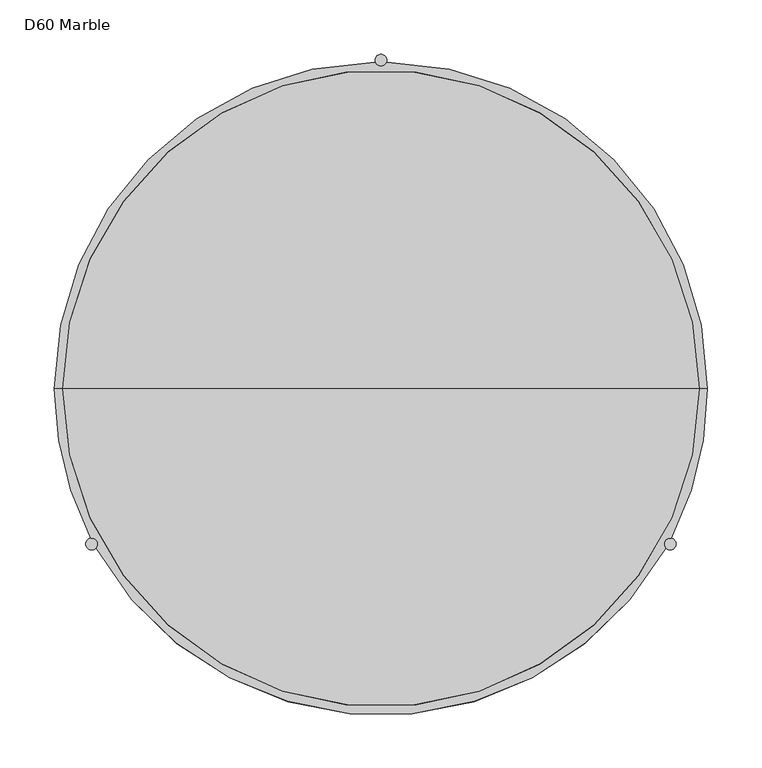
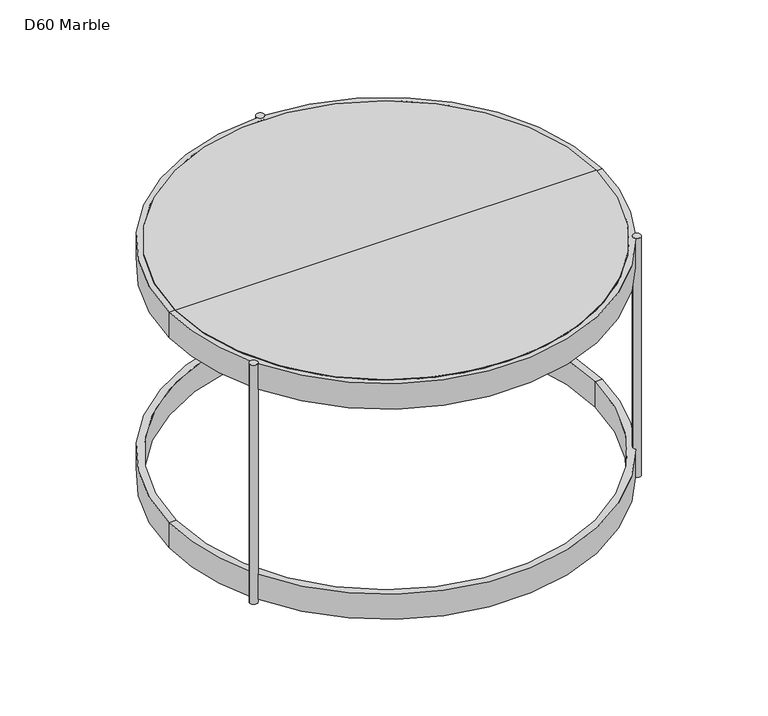
"""IFC4 building model written with IfcOpenShell, lengths in millimetres: furniture geometry, D60 Marble."""

from ifc_helpers import new_model, si_unit, frame, origin, place, context, project, spatial, polyline, circle_curve, source, transform, mapped, element, save
from ifc_brep_helpers import plane_surface, cylinder_surface, revolved_surface, advanced_brep


def d60_marble_bbe01573(model_context):
    return source(origin(), model_context, "Body", "AdvancedBrep", [
        advanced_brep(
        [(-68.8883961, 345.7919098, 350.3478421), (-653.3794204, 345.7919098, 350.3478421), (-653.3794204, 345.7919098, 333.2028421), (-68.8883961, 345.7919098, 333.2028421), (-361.1339083, 345.7919098, 350.3478421), (-361.1339083, 345.7919098, 333.2028421)],
        [
            (0, 1, circle_curve(frame((-361.1339083, 345.7919098, 350.3478421), z_axis=(0.0, 0.0, -1.0), x_axis=(-1.0, 0.0, 0.0)), 292.2455122)),
            (1, 2),
            (2, 3, circle_curve(frame((-361.1339083, 345.7919098, 333.2028421), z_axis=(0.0, 0.0, 1.0), x_axis=(-1.0, 0.0, 0.0)), 292.2455122)),
            (3, 0),
            (1, 0, circle_curve(frame((-361.1339083, 345.7919098, 350.3478421), z_axis=(0.0, 0.0, -1.0), x_axis=(-1.0, 0.0, 0.0)), 292.2455122)),
            (3, 2, circle_curve(frame((-361.1339083, 345.7919098, 333.2028421), z_axis=(0.0, 0.0, 1.0), x_axis=(-1.0, 0.0, 0.0)), 292.2455122)),
            (4, 1),
            (0, 4),
            (2, 5),
            (5, 3),
        ],
        [
            cylinder_surface(frame((-361.1339083, 345.7919098, 464.676447), z_axis=(0.0, 0.0, 1.0), x_axis=(-1.0, 0.0, 0.0)), 292.2455122),
            plane_surface(frame((-361.1339083, 345.7919098, 350.3478421), z_axis=(0.0, 0.0, 1.0), x_axis=(-1.0, 0.0, 0.0))),
            plane_surface(frame((-361.1339083, 345.7919098, 333.2028421), z_axis=(0.0, 0.0, -1.0), x_axis=(-1.0, 0.0, 0.0))),
        ],
        [
            (0, [[1, 2, 3, 4]]),
            (0, [[5, -4, 6, -2]]),
            (1, [[7, -1, 8]]),
            (1, [[-8, -5, -7]]),
            (2, [[-3, 9, 10]]),
            (2, [[-6, -10, -9]]),
        ],
    ),
        advanced_brep(
        [(-661.1339083, 345.7919098, 350.0), (-661.1339083, 345.7919098, 312.7292735), (-627.7645006, 208.2850837, 312.7292735), (-627.7645006, 208.2850837, 350.0), (-61.1339083, 345.7919098, 312.7292735), (-61.1339083, 345.7919098, 350.0), (-94.5033159, 208.2850837, 350.0), (-94.5033159, 208.2850837, 312.7292735), (-622.8945377, 199.2266585, 312.7292735), (-99.3732789, 199.2266585, 312.7292735), (-99.3732789, 199.2266585, 350.0), (-622.8945377, 199.2266585, 350.0), (-366.3127014, 645.7472067, 350.0), (-366.3127014, 645.7472067, 312.7292735), (-355.9551151, 645.7472067, 312.7292735), (-355.9551151, 645.7472067, 350.0), (-68.4536389, 345.7919098, 350.0), (-653.8141776, 345.7919098, 350.0), (-621.4218114, 202.9417098, 350.0), (-100.8460052, 202.9417098, 350.0), (-68.4536389, 345.7919098, 333.2028421), (-653.8141776, 345.7919098, 333.2028421), (-70.6464193, 345.7919098, 333.2028421), (-651.6213972, 345.7919098, 333.2028421), (-70.6464193, 345.7919098, 328.0260869), (-651.6213972, 345.7919098, 328.0260869), (-68.4536389, 345.7919098, 328.0260869), (-653.8141776, 345.7919098, 328.0260869), (-68.4536389, 345.7919098, 312.7292735), (-653.8141776, 345.7919098, 312.7292735), (-100.8460052, 202.9417098, 312.7292735), (-621.4218114, 202.9417098, 312.7292735), (-70.9198932, 345.7919098, 4.2318428), (-651.3479233, 345.7919098, 4.2318428), (-651.3479233, 345.7919098, 41.1453051), (-70.9198932, 345.7919098, 41.1453051), (-61.1339083, 345.7919098, 4.2318428), (-94.5033159, 208.2850837, 4.2318428), (-100.8460052, 202.9417098, 4.2318428), (-99.3732789, 199.2266585, 4.2318428), (-622.8945377, 199.2266585, 4.2318428), (-621.4218114, 202.9417098, 4.2318428), (-627.7645006, 208.2850837, 4.2318428), (-661.1339083, 345.7919098, 4.2318428), (-366.3127014, 645.7472067, 4.2318428), (-355.9551151, 645.7472067, 4.2318428), (-99.3732789, 199.2266585, 41.1453051), (-622.8945377, 199.2266585, 41.1453051), (-661.1339083, 345.7919098, 41.1453051), (-627.7645006, 208.2850837, 41.1453051), (-61.1339083, 345.7919098, 41.1453051), (-94.5033159, 208.2850837, 41.1453051), (-366.3127014, 645.7472067, 41.1453051), (-355.9551151, 645.7472067, 41.1453051), (-621.4218114, 202.9417098, 41.1453051), (-100.8460052, 202.9417098, 41.1453051), (-366.5560052, 647.3532067, 350.376447), (-355.7118114, 647.3532067, 350.376447), (-632.2660052, 202.9417098, 350.376447), (-621.4218114, 202.9417098, 350.376447), (-100.8460052, 202.9417098, 350.376447), (-90.0018114, 202.9417098, 350.376447), (-366.5560052, 647.3532067, 0.0), (-355.7118114, 647.3532067, 0.0), (-632.2660052, 202.9417098, 0.0), (-621.4218114, 202.9417098, 0.0), (-100.8460052, 202.9417098, 0.0), (-90.0018114, 202.9417098, 0.0)],
        [
            (0, 1),
            (1, 2, circle_curve(frame((-361.1339083, 345.7919098, 312.7292735), z_axis=(0.0, 0.0, 1.0), x_axis=(-1.0, 0.0, 0.0)), 300.0)),
            (2, 3),
            (3, 0, circle_curve(frame((-361.1339083, 345.7919098, 350.0), z_axis=(0.0, 0.0, -1.0), x_axis=(-1.0, 0.0, 0.0)), 300.0)),
            (4, 5),
            (5, 6, circle_curve(frame((-361.1339083, 345.7919098, 350.0), z_axis=(0.0, 0.0, -1.0), x_axis=(-1.0, 0.0, 0.0)), 300.0)),
            (6, 7),
            (7, 4, circle_curve(frame((-361.1339083, 345.7919098, 312.7292735), z_axis=(0.0, 0.0, 1.0), x_axis=(-1.0, 0.0, 0.0)), 300.0)),
            (8, 9, circle_curve(frame((-361.1339083, 345.7919098, 312.7292735), z_axis=(0.0, 0.0, 1.0), x_axis=(-1.0, 0.0, 0.0)), 300.0)),
            (9, 10),
            (10, 11, circle_curve(frame((-361.1339083, 345.7919098, 350.0), z_axis=(0.0, 0.0, -1.0), x_axis=(-1.0, 0.0, 0.0)), 300.0)),
            (11, 8),
            (0, 12, circle_curve(frame((-361.1339083, 345.7919098, 350.0), z_axis=(0.0, 0.0, -1.0), x_axis=(-1.0, 0.0, 0.0)), 300.0)),
            (12, 13),
            (13, 1, circle_curve(frame((-361.1339083, 345.7919098, 312.7292735), z_axis=(0.0, 0.0, 1.0), x_axis=(-1.0, 0.0, 0.0)), 300.0)),
            (4, 14, circle_curve(frame((-361.1339083, 345.7919098, 312.7292735), z_axis=(0.0, 0.0, 1.0), x_axis=(-1.0, 0.0, 0.0)), 300.0)),
            (14, 15),
            (15, 5, circle_curve(frame((-361.1339083, 345.7919098, 350.0), z_axis=(0.0, 0.0, -1.0), x_axis=(-1.0, 0.0, 0.0)), 300.0)),
            (16, 17, circle_curve(frame((-361.1339083, 345.7919098, 350.0), z_axis=(0.0, 0.0, -1.0), x_axis=(-1.0, 0.0, 0.0)), 292.6802694)),
            (17, 0),
            (3, 18, circle_curve(frame((-626.8439083, 202.9417098, 350.0), z_axis=(0.0, 0.0, -1.0), x_axis=(1.0, 0.0, 0.0)), 5.4220969)),
            (18, 11, circle_curve(frame((-626.8439083, 202.9417098, 350.0), z_axis=(0.0, 0.0, -1.0), x_axis=(1.0, 0.0, 0.0)), 5.4220969)),
            (10, 19, circle_curve(frame((-95.4239083, 202.9417098, 350.0), z_axis=(0.0, 0.0, -1.0), x_axis=(1.0, 0.0, 0.0)), 5.4220969)),
            (19, 6, circle_curve(frame((-95.4239083, 202.9417098, 350.0), z_axis=(0.0, 0.0, -1.0), x_axis=(1.0, 0.0, 0.0)), 5.4220969)),
            (5, 16),
            (17, 16, circle_curve(frame((-361.1339083, 345.7919098, 350.0), z_axis=(0.0, 0.0, -1.0), x_axis=(-1.0, 0.0, 0.0)), 292.6802694)),
            (15, 12, circle_curve(frame((-361.1339083, 647.3532067, 350.0), z_axis=(0.0, 0.0, -1.0), x_axis=(1.0, 0.0, 0.0)), 5.4220969)),
            (16, 20),
            (20, 21, circle_curve(frame((-361.1339083, 345.7919098, 333.2028421), z_axis=(0.0, 0.0, -1.0), x_axis=(-1.0, 0.0, 0.0)), 292.6802694)),
            (21, 17),
            (21, 20, circle_curve(frame((-361.1339083, 345.7919098, 333.2028421), z_axis=(0.0, 0.0, -1.0), x_axis=(-1.0, 0.0, 0.0)), 292.6802694)),
            (20, 22),
            (22, 23, circle_curve(frame((-361.1339083, 345.7919098, 333.2028421), z_axis=(0.0, 0.0, -1.0), x_axis=(-1.0, 0.0, 0.0)), 290.487489)),
            (23, 21),
            (23, 22, circle_curve(frame((-361.1339083, 345.7919098, 333.2028421), z_axis=(0.0, 0.0, -1.0), x_axis=(-1.0, 0.0, 0.0)), 290.487489)),
            (22, 24),
            (24, 25, circle_curve(frame((-361.1339083, 345.7919098, 328.0260869), z_axis=(0.0, 0.0, -1.0), x_axis=(-1.0, 0.0, 0.0)), 290.487489)),
            (25, 23),
            (25, 24, circle_curve(frame((-361.1339083, 345.7919098, 328.0260869), z_axis=(0.0, 0.0, -1.0), x_axis=(-1.0, 0.0, 0.0)), 290.487489)),
            (24, 26),
            (26, 27, circle_curve(frame((-361.1339083, 345.7919098, 328.0260869), z_axis=(0.0, 0.0, -1.0), x_axis=(-1.0, 0.0, 0.0)), 292.6802694)),
            (27, 25),
            (27, 26, circle_curve(frame((-361.1339083, 345.7919098, 328.0260869), z_axis=(0.0, 0.0, -1.0), x_axis=(-1.0, 0.0, 0.0)), 292.6802694)),
            (26, 28),
            (28, 29, circle_curve(frame((-361.1339083, 345.7919098, 312.7292735), z_axis=(0.0, 0.0, -1.0), x_axis=(-1.0, 0.0, 0.0)), 292.6802694)),
            (29, 27),
            (29, 28, circle_curve(frame((-361.1339083, 345.7919098, 312.7292735), z_axis=(0.0, 0.0, -1.0), x_axis=(-1.0, 0.0, 0.0)), 292.6802694)),
            (28, 4),
            (7, 30, circle_curve(frame((-95.4239083, 202.9417098, 312.7292735), z_axis=(0.0, 0.0, 1.0), x_axis=(1.0, 0.0, 0.0)), 5.4220969)),
            (30, 9, circle_curve(frame((-95.4239083, 202.9417098, 312.7292735), z_axis=(0.0, 0.0, 1.0), x_axis=(1.0, 0.0, 0.0)), 5.4220969)),
            (8, 31, circle_curve(frame((-626.8439083, 202.9417098, 312.7292735), z_axis=(0.0, 0.0, 1.0), x_axis=(1.0, 0.0, 0.0)), 5.4220969)),
            (31, 2, circle_curve(frame((-626.8439083, 202.9417098, 312.7292735), z_axis=(0.0, 0.0, 1.0), x_axis=(1.0, 0.0, 0.0)), 5.4220969)),
            (1, 29),
            (13, 14, circle_curve(frame((-361.1339083, 647.3532067, 312.7292735), z_axis=(0.0, 0.0, 1.0), x_axis=(1.0, 0.0, 0.0)), 5.4220969)),
            (32, 33, circle_curve(frame((-361.1339083, 345.7919098, 4.2318428), z_axis=(0.0, 0.0, -1.0), x_axis=(-1.0, 0.0, 0.0)), 290.2140151)),
            (33, 34),
            (34, 35, circle_curve(frame((-361.1339083, 345.7919098, 41.1453051), z_axis=(0.0, 0.0, 1.0), x_axis=(-1.0, 0.0, 0.0)), 290.2140151)),
            (35, 32),
            (33, 32, circle_curve(frame((-361.1339083, 345.7919098, 4.2318428), z_axis=(0.0, 0.0, -1.0), x_axis=(-1.0, 0.0, 0.0)), 290.2140151)),
            (35, 34, circle_curve(frame((-361.1339083, 345.7919098, 41.1453051), z_axis=(0.0, 0.0, 1.0), x_axis=(-1.0, 0.0, 0.0)), 290.2140151)),
            (32, 36),
            (36, 37, circle_curve(frame((-361.1339083, 345.7919098, 4.2318428), z_axis=(0.0, 0.0, -1.0), x_axis=(-1.0, 0.0, 0.0)), 300.0)),
            (37, 38, circle_curve(frame((-95.4239083, 202.9417098, 4.2318428), z_axis=(0.0, 0.0, 1.0), x_axis=(1.0, 0.0, 0.0)), 5.4220969)),
            (38, 39, circle_curve(frame((-95.4239083, 202.9417098, 4.2318428), z_axis=(0.0, 0.0, 1.0), x_axis=(1.0, 0.0, 0.0)), 5.4220969)),
            (39, 40, circle_curve(frame((-361.1339083, 345.7919098, 4.2318428), z_axis=(0.0, 0.0, -1.0), x_axis=(-1.0, 0.0, 0.0)), 300.0)),
            (40, 41, circle_curve(frame((-626.8439083, 202.9417098, 4.2318428), z_axis=(0.0, 0.0, 1.0), x_axis=(1.0, 0.0, 0.0)), 5.4220969)),
            (41, 42, circle_curve(frame((-626.8439083, 202.9417098, 4.2318428), z_axis=(0.0, 0.0, 1.0), x_axis=(1.0, 0.0, 0.0)), 5.4220969)),
            (42, 43, circle_curve(frame((-361.1339083, 345.7919098, 4.2318428), z_axis=(0.0, 0.0, -1.0), x_axis=(-1.0, 0.0, 0.0)), 300.0)),
            (43, 33),
            (43, 44, circle_curve(frame((-361.1339083, 345.7919098, 4.2318428), z_axis=(0.0, 0.0, -1.0), x_axis=(-1.0, 0.0, 0.0)), 300.0)),
            (44, 45, circle_curve(frame((-361.1339083, 647.3532067, 4.2318428), z_axis=(0.0, 0.0, 1.0), x_axis=(1.0, 0.0, 0.0)), 5.4220969)),
            (45, 36, circle_curve(frame((-361.1339083, 345.7919098, 4.2318428), z_axis=(0.0, 0.0, -1.0), x_axis=(-1.0, 0.0, 0.0)), 300.0)),
            (39, 46),
            (46, 47, circle_curve(frame((-361.1339083, 345.7919098, 41.1453051), z_axis=(0.0, 0.0, -1.0), x_axis=(-1.0, 0.0, 0.0)), 300.0)),
            (47, 40),
            (48, 43),
            (42, 49),
            (49, 48, circle_curve(frame((-361.1339083, 345.7919098, 41.1453051), z_axis=(0.0, 0.0, -1.0), x_axis=(-1.0, 0.0, 0.0)), 300.0)),
            (36, 50),
            (50, 51, circle_curve(frame((-361.1339083, 345.7919098, 41.1453051), z_axis=(0.0, 0.0, -1.0), x_axis=(-1.0, 0.0, 0.0)), 300.0)),
            (51, 37),
            (48, 52, circle_curve(frame((-361.1339083, 345.7919098, 41.1453051), z_axis=(0.0, 0.0, -1.0), x_axis=(-1.0, 0.0, 0.0)), 300.0)),
            (52, 44),
            (45, 53),
            (53, 50, circle_curve(frame((-361.1339083, 345.7919098, 41.1453051), z_axis=(0.0, 0.0, -1.0), x_axis=(-1.0, 0.0, 0.0)), 300.0)),
            (34, 48),
            (49, 54, circle_curve(frame((-626.8439083, 202.9417098, 41.1453051), z_axis=(0.0, 0.0, -1.0), x_axis=(1.0, 0.0, 0.0)), 5.4220969)),
            (54, 47, circle_curve(frame((-626.8439083, 202.9417098, 41.1453051), z_axis=(0.0, 0.0, -1.0), x_axis=(1.0, 0.0, 0.0)), 5.4220969)),
            (46, 55, circle_curve(frame((-95.4239083, 202.9417098, 41.1453051), z_axis=(0.0, 0.0, -1.0), x_axis=(1.0, 0.0, 0.0)), 5.4220969)),
            (55, 51, circle_curve(frame((-95.4239083, 202.9417098, 41.1453051), z_axis=(0.0, 0.0, -1.0), x_axis=(1.0, 0.0, 0.0)), 5.4220969)),
            (50, 35),
            (53, 52, circle_curve(frame((-361.1339083, 647.3532067, 41.1453051), z_axis=(0.0, 0.0, -1.0), x_axis=(1.0, 0.0, 0.0)), 5.4220969)),
            (56, 57, circle_curve(frame((-361.1339083, 647.3532067, 350.376447), z_axis=(0.0, 0.0, 1.0), x_axis=(1.0, 0.0, 0.0)), 5.4220969)),
            (57, 56, circle_curve(frame((-361.1339083, 647.3532067, 350.376447), z_axis=(0.0, 0.0, 1.0), x_axis=(1.0, 0.0, 0.0)), 5.4220969)),
            (58, 59, circle_curve(frame((-626.8439083, 202.9417098, 350.376447), z_axis=(0.0, 0.0, 1.0), x_axis=(1.0, 0.0, 0.0)), 5.4220969)),
            (59, 58, circle_curve(frame((-626.8439083, 202.9417098, 350.376447), z_axis=(0.0, 0.0, 1.0), x_axis=(1.0, 0.0, 0.0)), 5.4220969)),
            (60, 61, circle_curve(frame((-95.4239083, 202.9417098, 350.376447), z_axis=(0.0, 0.0, 1.0), x_axis=(1.0, 0.0, 0.0)), 5.4220969)),
            (61, 60, circle_curve(frame((-95.4239083, 202.9417098, 350.376447), z_axis=(0.0, 0.0, 1.0), x_axis=(1.0, 0.0, 0.0)), 5.4220969)),
            (62, 63, circle_curve(frame((-361.1339083, 647.3532067, 0.0), z_axis=(0.0, 0.0, -1.0), x_axis=(1.0, 0.0, 0.0)), 5.4220969)),
            (63, 62, circle_curve(frame((-361.1339083, 647.3532067, 0.0), z_axis=(0.0, 0.0, -1.0), x_axis=(1.0, 0.0, 0.0)), 5.4220969)),
            (64, 65, circle_curve(frame((-626.8439083, 202.9417098, 0.0), z_axis=(0.0, 0.0, -1.0), x_axis=(1.0, 0.0, 0.0)), 5.4220969)),
            (65, 64, circle_curve(frame((-626.8439083, 202.9417098, 0.0), z_axis=(0.0, 0.0, -1.0), x_axis=(1.0, 0.0, 0.0)), 5.4220969)),
            (66, 67, circle_curve(frame((-95.4239083, 202.9417098, 0.0), z_axis=(0.0, 0.0, -1.0), x_axis=(1.0, 0.0, 0.0)), 5.4220969)),
            (67, 66, circle_curve(frame((-95.4239083, 202.9417098, 0.0), z_axis=(0.0, 0.0, -1.0), x_axis=(1.0, 0.0, 0.0)), 5.4220969)),
            (56, 62),
            (63, 57),
            (58, 64),
            (65, 41),
            (54, 31),
            (18, 59),
            (60, 19),
            (30, 55),
            (38, 66),
            (67, 61),
        ],
        [
            cylinder_surface(frame((-361.1339083, 345.7919098, 591.3), z_axis=(0.0, 0.0, 1.0), x_axis=(-1.0, 0.0, 0.0)), 300.0),
            plane_surface(frame((-361.1339083, 345.7919098, 350.0), z_axis=(0.0, 0.0, 1.0), x_axis=(-1.0, 0.0, 0.0))),
            revolved_surface(polyline([(-653.8141777, 345.7919098, 350.0), (-653.8141777, 345.7919098, 333.2028421)]), (-361.1339083, 345.7919098, 591.3), (0.0, 0.0, 1.0)),
            plane_surface(frame((-361.1339083, 345.7919098, 333.2028421), z_axis=(0.0, 0.0, 1.0), x_axis=(-1.0, 0.0, 0.0))),
            revolved_surface(polyline([(-651.6213972999999, 345.7919098, 333.2028421), (-651.6213972999999, 345.7919098, 328.0260869)]), (-361.1339083, 345.7919098, 591.3), (0.0, 0.0, 1.0)),
            plane_surface(frame((-361.1339083, 345.7919098, 328.0260869), z_axis=(0.0, 0.0, -1.0), x_axis=(-1.0, 0.0, 0.0))),
            revolved_surface(polyline([(-653.8141777, 345.7919098, 328.0260869), (-653.8141777, 345.7919098, 312.7292735)]), (-361.1339083, 345.7919098, 591.3), (0.0, 0.0, 1.0)),
            plane_surface(frame((-361.1339083, 345.7919098, 312.7292735), z_axis=(0.0, 0.0, -1.0), x_axis=(-1.0, 0.0, 0.0))),
            revolved_surface(polyline([(-651.3479233999999, 345.7919098, 41.14530509999997), (-651.3479233999999, 345.7919098, 4.231842799999981)]), (-361.1339083, 345.7919098, 591.3), (0.0, 0.0, 1.0)),
            plane_surface(frame((-361.1339083, 345.7919098, 4.2318428), z_axis=(0.0, 0.0, -1.0), x_axis=(-1.0, 0.0, 0.0))),
            plane_surface(frame((-361.1339083, 345.7919098, 41.1453051), z_axis=(0.0, 0.0, 1.0), x_axis=(-1.0, 0.0, 0.0))),
            plane_surface(frame((-355.7118114, 647.3532067, 350.376447), z_axis=(0.0, 0.0, 1.0), x_axis=(0.0, 1.0, 0.0))),
            plane_surface(frame((-355.7118114, 647.3532067, 0.0), z_axis=(0.0, 0.0, -1.0), x_axis=(0.0, -1.0, 0.0))),
            cylinder_surface(frame((-361.1339083, 647.3532067, 0.0), z_axis=(0.0, 0.0, 1.0), x_axis=(1.0, 0.0, 0.0)), 5.4220969),
            cylinder_surface(frame((-626.8439083, 202.9417098, 0.0), z_axis=(0.0, 0.0, 1.0), x_axis=(1.0, 0.0, 0.0)), 5.4220969),
            cylinder_surface(frame((-95.4239083, 202.9417098, 0.0), z_axis=(0.0, 0.0, 1.0), x_axis=(1.0, 0.0, 0.0)), 5.4220969),
        ],
        [
            (0, [[1, 2, 3, 4]]),
            (0, [[5, 6, 7, 8]]),
            (0, [[9, 10, 11, 12]]),
            (0, [[-1, 13, 14, 15]]),
            (0, [[-5, 16, 17, 18]]),
            (1, [[19, 20, -4, 21, 22, -11, 23, 24, -6, 25]]),
            (1, [[-20, 26, -25, -18, 27, -13]]),
            (2, [[-19, 28, 29, 30]]),
            (2, [[-26, -30, 31, -28]]),
            (3, [[-29, 32, 33, 34]]),
            (3, [[-31, -34, 35, -32]]),
            (4, [[-33, 36, 37, 38]]),
            (4, [[-35, -38, 39, -36]]),
            (5, [[-37, 40, 41, 42]]),
            (5, [[-39, -42, 43, -40]]),
            (6, [[-41, 44, 45, 46]]),
            (6, [[-43, -46, 47, -44]]),
            (7, [[-45, 48, -8, 49, 50, -9, 51, 52, -2, 53]]),
            (7, [[-47, -53, -15, 54, -16, -48]]),
            (8, [[55, 56, 57, 58]]),
            (8, [[-56, 59, -58, 60]]),
            (9, [[-55, 61, 62, 63, 64, 65, 66, 67, 68, 69]]),
            (9, [[-59, -69, 70, 71, 72, -61]]),
            (0, [[-65, 73, 74, 75]]),
            (0, [[76, -68, 77, 78]]),
            (0, [[79, 80, 81, -62]]),
            (0, [[-76, 82, 83, -70]]),
            (0, [[-79, -72, 84, 85]]),
            (10, [[-57, 86, -78, 87, 88, -74, 89, 90, -80, 91]]),
            (10, [[-60, -91, -85, 92, -82, -86]]),
            (11, [[93, 94]]),
            (11, [[95, 96]]),
            (11, [[97, 98]]),
            (12, [[99, 100]]),
            (12, [[101, 102]]),
            (12, [[103, 104]]),
            (13, [[-93, 105, -100, 106], [-14, -27, -17, -54], [-71, -83, -92, -84]]),
            (13, [[-94, -106, -99, -105]]),
            (14, [[-95, 107, -102, 108, -66, -75, -88, 109, -51, -12, -22, 110]]),
            (14, [[-96, -110, -21, -3, -52, -109, -87, -77, -67, -108, -101, -107]]),
            (15, [[-97, 111, -23, -10, -50, 112, -89, -73, -64, 113, -104, 114]]),
            (15, [[-98, -114, -103, -113, -63, -81, -90, -112, -49, -7, -24, -111]]),
        ],
    ),
    ])


if __name__ == "__main__":
    model = new_model("IFC4")
    model_context = context("Model", 3, world=origin())
    ifc_project = project(units=[si_unit("LENGTHUNIT", "METRE", prefix="MILLI")], contexts=[model_context])
    site = spatial("IfcSite", under=ifc_project)
    building = spatial("IfcBuilding", under=site)
    placement = place(None, origin())
    d60_marble_shape = d60_marble_bbe01573(model_context)
    element("IfcFurniture", 1, ObjectType="D60 Marble", at=placement, inside=building, context=model_context, shape_type="MappedRepresentation", body=[
        mapped(d60_marble_shape, transform((0.0, 0.0, 0.0), x_axis=(1.0, 0.0, 0.0), y_axis=(0.0, 1.0, 0.0), z_axis=(0.0, 0.0, 1.0))),
    ])
    save(model, "model.ifc")
